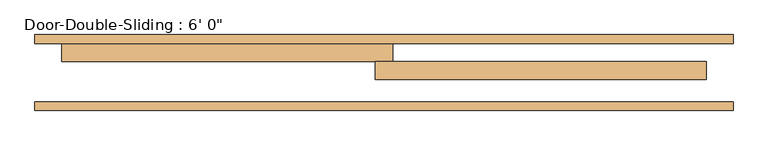
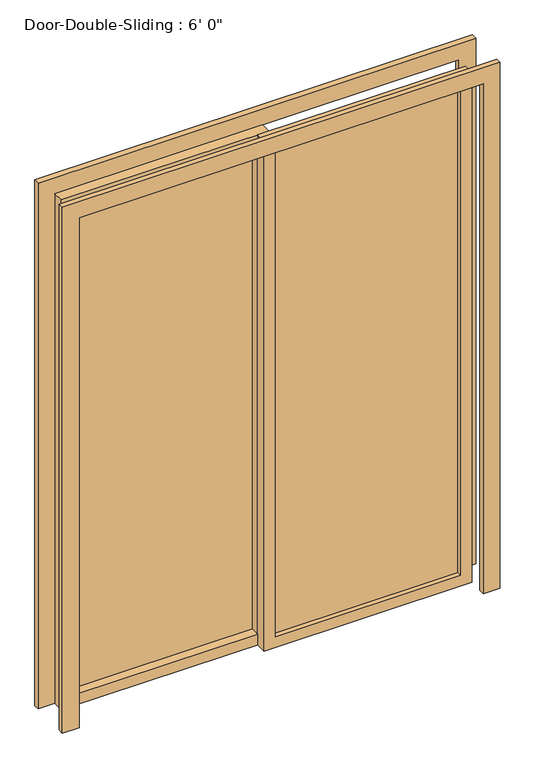
"""IFC4 building model written with IfcOpenShell, lengths in millimetres: door geometry."""

from ifc_helpers import new_model, si_unit, frame, origin, place, context, project, spatial, polyline, outline, extrude, source, transform, mapped, element, save


def door_c90657e1(model_context):
    return source(origin(), model_context, "Body", "SweptSolid", [
        extrude(outline(polyline([(2438.4, -25.4), (0.0, -25.4), (0.0, 914.4), (2438.4, 914.4), (2438.4, -25.4)]), holes=[polyline([(2387.6, 25.4), (2387.6, 863.6), (50.8, 863.6), (50.8, 25.4), (2387.6, 25.4)])]), frame((0.0, 107.95, 0.0), z_axis=(0.0, 1.0, 0.0), x_axis=(0.0, 0.0, 1.0)), (0.0, 0.0, 1.0), 50.8),
        extrude(outline(polyline([(2438.4, 25.4), (2438.4, -914.4), (0.0, -914.4), (0.0, 25.4), (2438.4, 25.4)]), holes=[polyline([(2387.6, -25.4), (50.8, -25.4), (50.8, -863.6), (2387.6, -863.6), (2387.6, -25.4)])]), frame((0.0, 158.75, 0.0), z_axis=(0.0, 1.0, 0.0), x_axis=(0.0, 0.0, 1.0)), (0.0, 0.0, 1.0), 50.8),
        extrude(outline(polyline([(0.0, -990.6), (0.0, -914.4), (2438.4, -914.4), (2438.4, 914.4), (0.0, 914.4), (0.0, 990.6), (2514.6, 990.6), (2514.6, -990.6), (0.0, -990.6)])), frame((0.0, 19.05, 0.0), z_axis=(0.0, 1.0, 0.0), x_axis=(0.0, 0.0, 1.0)), (0.0, 0.0, 1.0), 25.4),
        extrude(outline(polyline([(0.0, 990.6), (2514.6, 990.6), (2514.6, -990.6), (0.0, -990.6), (0.0, -914.4), (2438.4, -914.4), (2438.4, 914.4), (0.0, 914.4), (0.0, 990.6)])), frame((0.0, 209.55, 0.0), z_axis=(0.0, 1.0, 0.0), x_axis=(0.0, 0.0, 1.0)), (0.0, 0.0, 1.0), 25.4),
        extrude(outline(polyline([(25.4, 136.525), (863.6, 136.525), (863.6, 130.175), (25.4, 130.175), (25.4, 136.525)])), frame((0.0, 0.0, 50.8), z_axis=(0.0, 0.0, 1.0), x_axis=(1.0, 0.0, 0.0)), (0.0, 0.0, 1.0), 2336.8),
        extrude(outline(polyline([(-25.4, 200.025), (-863.6, 200.025), (-863.6, 206.375), (-25.4, 206.375), (-25.4, 200.025)])), frame((0.0, 0.0, 50.8), z_axis=(0.0, 0.0, 1.0), x_axis=(1.0, 0.0, 0.0)), (0.0, 0.0, 1.0), 2336.8),
    ])


if __name__ == "__main__":
    model = new_model("IFC4")
    model_context = context("Model", 3, world=origin())
    ifc_project = project(units=[si_unit("LENGTHUNIT", "METRE", prefix="MILLI")], contexts=[model_context])
    site = spatial("IfcSite", under=ifc_project)
    building = spatial("IfcBuilding", under=site)
    placement = place(None, origin())
    door_shape = door_c90657e1(model_context)
    element("IfcDoor", 1, ObjectType="Door-Double-Sliding : 6' 0\"", at=placement, inside=building, context=model_context, shape_type="MappedRepresentation", body=[
        mapped(door_shape, transform((0.0, 0.0, 0.0), x_axis=(1.0, 0.0, 0.0), y_axis=(0.0, 1.0, 0.0), z_axis=(0.0, 0.0, 1.0))),
    ])
    save(model, "model.ifc")
